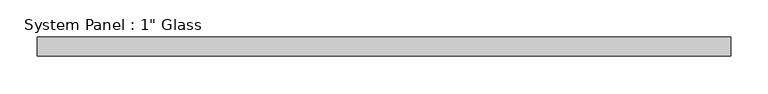
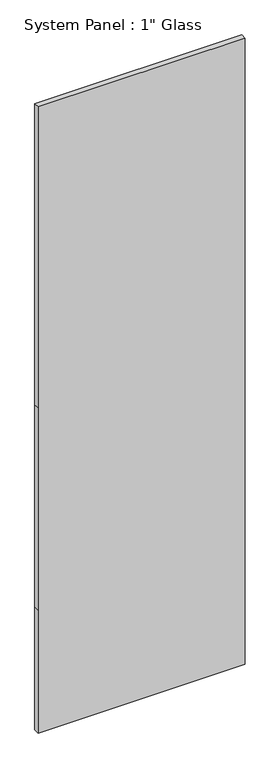
"""IFC4 building model written with IfcOpenShell, lengths in millimetres: plate geometry."""

from ifc_helpers import new_model, si_unit, frame, origin, place, context, project, spatial, polyline, outline, extrude, source, transform, mapped, element, save


def plate_f1163297(model_context):
    return source(origin(), model_context, "Body", "SweptSolid", [
        extrude(outline(polyline([(0.0, -463.1158815), (0.0, 463.1158815), (581.025, 463.1158815), (1536.7, 463.1158815), (2959.1, 463.1158815), (2959.1, -463.1158815), (1536.7, -463.1158815), (581.025, -463.1158815), (0.0, -463.1158815)])), frame((0.0, -12.7, 0.0), z_axis=(0.0, 1.0, 0.0), x_axis=(0.0, 0.0, 1.0)), (0.0, 0.0, 1.0), 25.4),
    ])


if __name__ == "__main__":
    model = new_model("IFC4")
    model_context = context("Model", 3, world=origin())
    ifc_project = project(units=[si_unit("LENGTHUNIT", "METRE", prefix="MILLI")], contexts=[model_context])
    site = spatial("IfcSite", under=ifc_project)
    building = spatial("IfcBuilding", under=site)
    placement = place(None, origin())
    plate_shape = plate_f1163297(model_context)
    element("IfcPlate", 1, ObjectType="System Panel : 1\" Glass", at=placement, inside=building, context=model_context, shape_type="MappedRepresentation", body=[
        mapped(plate_shape, transform((0.0, 0.0, 0.0), x_axis=(1.0, 0.0, 0.0), y_axis=(0.0, 1.0, 0.0), z_axis=(0.0, 0.0, 1.0))),
    ])
    save(model, "model.ifc")
